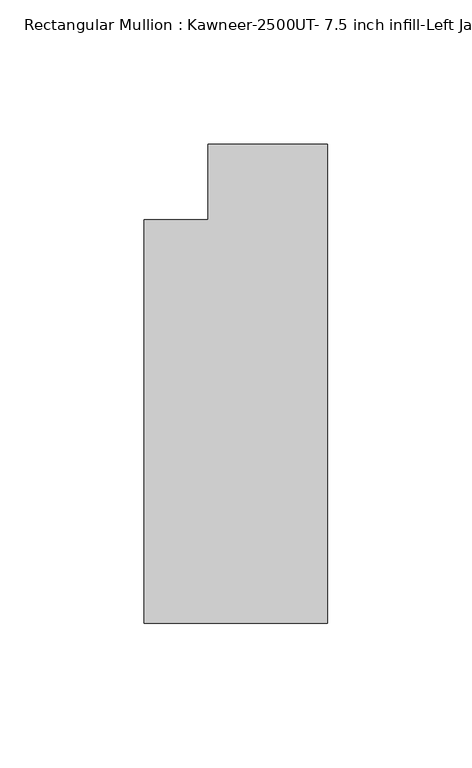
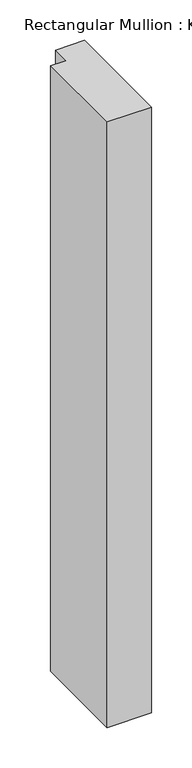
"""IFC4 building model written with IfcOpenShell, lengths in millimetres: member geometry, Rectangular Mullion : Kawneer-2500UT- 7.5 inch infill-Left Jamb 1 inch infill."""

from ifc_helpers import new_model, si_unit, frame, origin, place, context, project, spatial, polyline, outline, extrude, source, transform, mapped, element, save


def rectangular_mullion_kawneer_2500ut_7_5_inch_infill_left_jamb_d98b19ab(model_context):
    return source(origin(), model_context, "Body", "SweptSolid", [
        extrude(outline(polyline([(-63.5, -190.576195), (-63.5, -50.8762), (-41.4220673, -50.8762), (-41.4220673, -24.8381051), (0.0, -24.8381051), (0.0, -190.576195), (-63.5, -190.576195)])), frame((0.0, 0.0, -914.4), z_axis=(0.0, 0.0, 1.0), x_axis=(1.0, 0.0, 0.0)), (0.0, 0.0, 1.0), 914.4),
    ])


if __name__ == "__main__":
    model = new_model("IFC4")
    model_context = context("Model", 3, world=origin())
    ifc_project = project(units=[si_unit("LENGTHUNIT", "METRE", prefix="MILLI")], contexts=[model_context])
    site = spatial("IfcSite", under=ifc_project)
    building = spatial("IfcBuilding", under=site)
    placement = place(None, origin())
    rectangular_mullion_kawneer_2500ut_7_5_inch_infill_left_jamb_shape = rectangular_mullion_kawneer_2500ut_7_5_inch_infill_left_jamb_d98b19ab(model_context)
    element("IfcMember", 1, ObjectType="Rectangular Mullion : Kawneer-2500UT- 7.5 inch infill-Left Jamb 1 inch infill", at=placement, inside=building, context=model_context, shape_type="MappedRepresentation", body=[
        mapped(rectangular_mullion_kawneer_2500ut_7_5_inch_infill_left_jamb_shape, transform((0.0, 0.0, 0.0), x_axis=(1.0, 0.0, 0.0), y_axis=(0.0, 1.0, 0.0), z_axis=(0.0, 0.0, 1.0))),
    ])
    save(model, "model.ifc")
